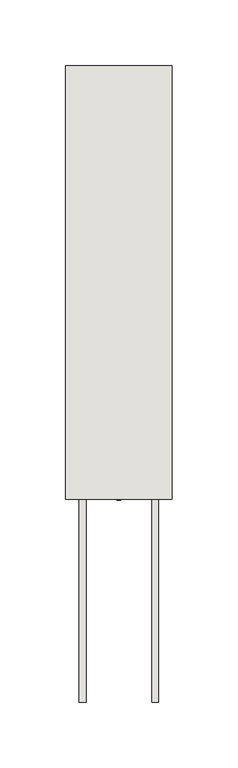
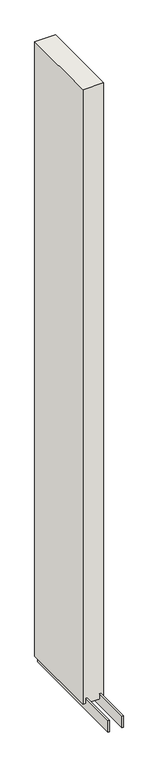
"""IFC4 building model written with IfcOpenShell, lengths in millimetres: wall geometry."""

from ifc_helpers import new_model, si_unit, frame, origin, place, context, project, spatial, polyline, outline, extrude, source, transform, mapped, element, save


def wall_c96cfa5d(model_context):
    return source(origin(), model_context, "Body", "SweptSolid", [
        extrude(outline(polyline([(61876.342211, -45407.881371), (61876.342211, -45405.341371), (61878.882211, -45405.341371), (61878.882211, -45407.881371), (61876.342211, -45407.881371)])), frame((0.0, 0.0, 4419.6), z_axis=(0.0, 0.0, 1.0), x_axis=(1.0, 0.0, 0.0)), (0.0, 0.0, 1.0), 2.54),
        extrude(outline(polyline([(61902.6959556, -45561.8608192), (61902.6959556, -45077.6857144), (61907.774711, -45077.6857144), (61907.774711, -45561.8608192), (61902.6959556, -45561.8608192)])), frame((0.0, 0.0, 4418.6602), z_axis=(0.0, 0.0, 1.0), x_axis=(1.0, 0.0, 0.0)), (0.0, 0.0, 1.0), 47.625),
        extrude(outline(polyline([(61902.6959556, -45561.8608192), (61902.6959556, -45077.6857144), (61907.774711, -45077.6857144), (61907.774711, -45561.8608192), (61902.6959556, -45561.8608192)])), frame((0.0, 0.0, 4418.6602), z_axis=(0.0, 0.0, 1.0), x_axis=(1.0, 0.0, 0.0)), (0.0, 0.0, 1.0), 47.625),
        extrude(outline(polyline([(61852.5284664, -45077.6857144), (61852.5284664, -45561.8608192), (61847.449711, -45561.8608192), (61847.449711, -45077.6857144), (61852.5284664, -45077.6857144)])), frame((0.0, 0.0, 4418.6602), z_axis=(0.0, 0.0, 1.0), x_axis=(1.0, 0.0, 0.0)), (0.0, 0.0, 1.0), 47.625),
        extrude(outline(polyline([(61852.5284664, -45077.6857144), (61852.5284664, -45561.8608192), (61847.449711, -45561.8608192), (61847.449711, -45077.6857144), (61852.5284664, -45077.6857144)])), frame((0.0, 0.0, 4418.6602), z_axis=(0.0, 0.0, 1.0), x_axis=(1.0, 0.0, 0.0)), (0.0, 0.0, 1.0), 47.625),
        extrude(outline(polyline([(61918.2670954, -45407.8857144), (61836.9573266, -45407.8857144), (61836.9573266, -45077.6857144), (61918.2670954, -45077.6857144), (61918.2670954, -45407.8857144)])), frame((0.0, 0.0, 4445.0), z_axis=(0.0, 0.0, 1.0), x_axis=(1.0, 0.0, 0.0)), (0.0, 0.0, 1.0), 2562.4536762),
    ])


if __name__ == "__main__":
    model = new_model("IFC4")
    model_context = context("Model", 3, world=origin())
    ifc_project = project(units=[si_unit("LENGTHUNIT", "METRE", prefix="MILLI")], contexts=[model_context])
    site = spatial("IfcSite", under=ifc_project)
    building = spatial("IfcBuilding", under=site)
    placement = place(None, origin())
    wall_shape = wall_c96cfa5d(model_context)
    element("IfcWall", 1, at=placement, inside=building, context=model_context, shape_type="MappedRepresentation", body=[
        mapped(wall_shape, transform((0.0, 0.0, 0.0), x_axis=(1.0, 0.0, 0.0), y_axis=(0.0, 1.0, 0.0), z_axis=(0.0, 0.0, 1.0))),
    ])
    save(model, "model.ifc")
